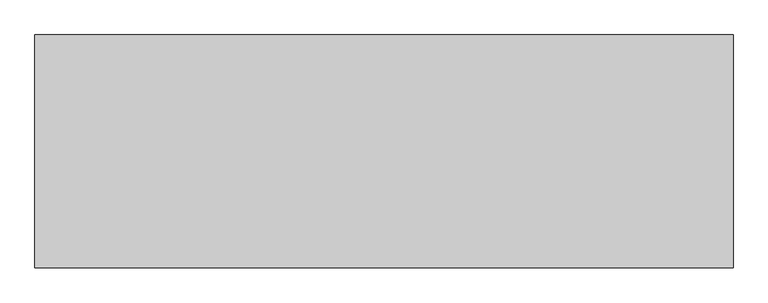
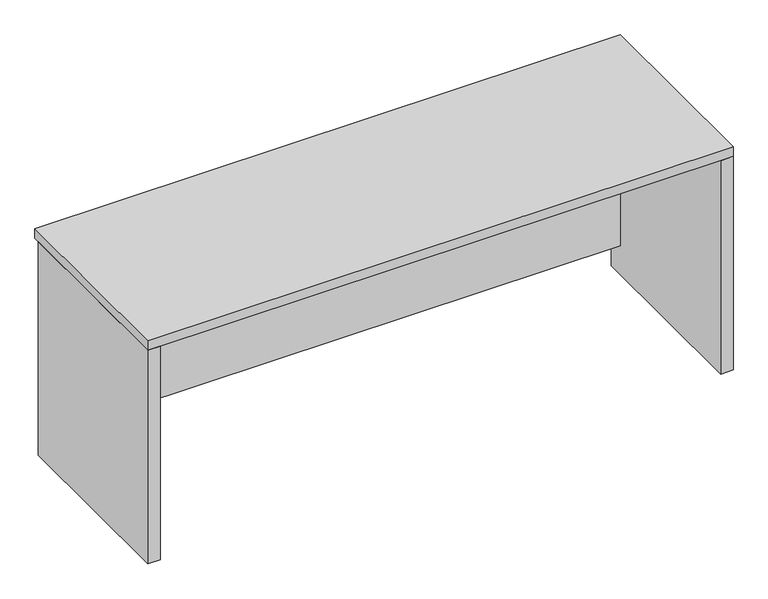
"""IFC4 building model written with IfcOpenShell, lengths in millimetres: furniture geometry."""

from ifc_helpers import new_model, si_unit, frame, origin, origin_with_axes, place, context, project, spatial, polyline, outline, extrude, source, transform, mapped, element, save


def furniture_34911d9c(model_context):
    return source(origin(), model_context, "Body", "SweptSolid", [
        extrude(outline(polyline([(1613.69375, -292.1), (1613.69375, -321.46875), (-137.31875, -321.46875), (-137.31875, -292.1), (1613.69375, -292.1)])), frame((0.0, 0.0, 95.25), z_axis=(0.0, 0.0, 1.0), x_axis=(1.0, 0.0, 0.0)), (0.0, 0.0, 1.0), 273.05),
        extrude(outline(polyline([(1613.69375, -292.1), (1613.69375, -321.46875), (-137.31875, -321.46875), (-137.31875, -292.1), (1613.69375, -292.1)])), frame((0.0, 0.0, 368.3), z_axis=(0.0, 0.0, 1.0), x_axis=(1.0, 0.0, 0.0)), (0.0, 0.0, 1.0), 273.05),
        extrude(outline(polyline([(1652.5875, -273.05), (1652.5875, -863.6), (1613.69375, -863.6), (1613.69375, -273.05), (1652.5875, -273.05)])), origin_with_axes(), (0.0, 0.0, 1.0), 704.85),
        extrude(outline(polyline([(-137.31875, -273.05), (-137.31875, -863.6), (-176.2125, -863.6), (-176.2125, -273.05), (-137.31875, -273.05)])), origin_with_axes(), (0.0, 0.0, 1.0), 704.85),
        extrude(outline(polyline([(1652.5875, -254.0), (1652.5875, -863.6), (-176.2125, -863.6), (-176.2125, -254.0), (1652.5875, -254.0)])), frame((0.0, 0.0, 704.85), z_axis=(0.0, 0.0, 1.0), x_axis=(1.0, 0.0, 0.0)), (0.0, 0.0, 1.0), 31.75),
    ])


if __name__ == "__main__":
    model = new_model("IFC4")
    model_context = context("Model", 3, world=origin())
    ifc_project = project(units=[si_unit("LENGTHUNIT", "METRE", prefix="MILLI")], contexts=[model_context])
    site = spatial("IfcSite", under=ifc_project)
    building = spatial("IfcBuilding", under=site)
    placement = place(None, origin())
    furniture_shape = furniture_34911d9c(model_context)
    element("IfcFurniture", 1, at=placement, inside=building, context=model_context, shape_type="MappedRepresentation", body=[
        mapped(furniture_shape, transform((0.0, 0.0, 0.0), x_axis=(1.0, 0.0, 0.0), y_axis=(0.0, 1.0, 0.0), z_axis=(0.0, 0.0, 1.0))),
    ])
    save(model, "model.ifc")
